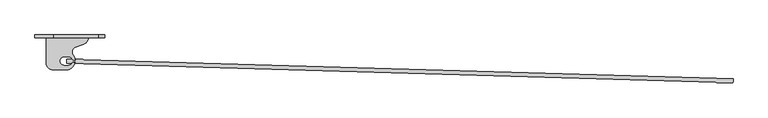
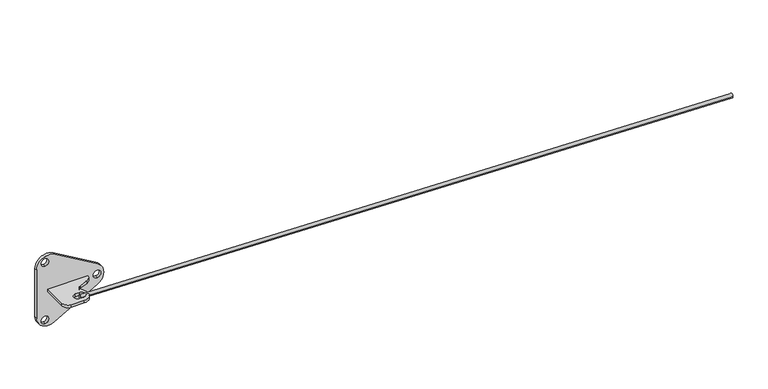
"""IFC4 building model written with IfcOpenShell, lengths in millimetres: proxy geometry."""

from ifc_helpers import new_model, si_unit, point, frame, frame_2d, origin, place, context, project, spatial, polyline, circle_curve, trimmed, segment, composite_curve, outline, extrude, source, transform, mapped, element, save
from ifc_brep_helpers import plane_surface, extruded_surface, advanced_brep


def specialty_equipment_39d2e3bd(model_context):
    return source(origin(), model_context, "Body", "SolidModel", [
        extrude(outline(composite_curve([segment(trimmed(circle_curve(frame_2d((93.5280064, 86.7466465)), 13.4406143), [point((106.9663575, 86.5))], [point((98.3110266, 74.1858809))], False, "CARTESIAN"), True, "CONTINUOUS"), segment(polyline([(98.3110266, 74.1858809), (81.0486273, 67.6125234)]), True, "CONTINUOUS"), segment(trimmed(circle_curve(frame_2d((84.6072594, 58.2671428)), 10.0), [point((81.0486273, 67.6125234))], [point((76.8783659, 51.9217347))], True, "CARTESIAN"), True, "CONTINUOUS"), segment(trimmed(circle_curve(frame_2d((62.9663575, 40.5)), 18.0), [point((76.8783659, 51.9217347))], [point((62.9663575, 22.5))], False, "CARTESIAN"), True, "CONTINUOUS"), segment(polyline([(62.9663575, 22.5), (35.9663575, 22.5)]), True, "CONTINUOUS"), segment(trimmed(circle_curve(frame_2d((35.9663575, 35.5)), 13.0), [point((35.9663575, 22.5))], [point((22.9663575, 35.5))], False, "CARTESIAN"), True, "CONTINUOUS"), segment(polyline([(22.9663575, 35.5), (22.9663575, 86.5), (106.9663575, 86.5)]), True, "CONTINUOUS")], self_intersect=False), holes=[composite_curve([segment(polyline([(66.8881977, 48.0756978), (58.8881977, 48.0756978)]), True, "CONTINUOUS"), segment(trimmed(circle_curve(frame_2d((58.8881977, 40.0756978)), 8.0), [point((58.8881977, 48.0756978))], [point((58.8881977, 32.0756978))], True, "CARTESIAN"), True, "CONTINUOUS"), segment(polyline([(58.8881977, 32.0756978), (66.8881977, 32.0756978)]), True, "CONTINUOUS"), segment(trimmed(circle_curve(frame_2d((66.8881977, 40.0756978)), 8.0), [point((66.8881977, 32.0756978))], [point((66.8881977, 48.0756978))], True, "CARTESIAN"), True, "CONTINUOUS")], self_intersect=False)]), frame((0.0, 0.0, 1797.0), z_axis=(0.0, 0.0, 1.0), x_axis=(1.0, 0.0, 0.0)), (0.0, 0.0, 1.0), 6.0),
        extrude(outline(composite_curve([segment(trimmed(circle_curve(frame_2d((1746.9543472, 24.5)), 24.5), [point((1746.9543472, 0.0))], [point((1725.7049481, 36.6947954))], False, "CARTESIAN"), True, "CONTINUOUS"), segment(polyline([(1725.7049481, 36.6947954), (1777.5339286, 127.0066589)]), True, "CONTINUOUS"), segment(trimmed(circle_curve(frame_2d((1799.932417, 114.1524138)), 25.8248698), [point((1777.5339286, 127.0066589))], [point((1822.263764, 127.1229513))], False, "CARTESIAN"), True, "CONTINUOUS"), segment(polyline([(1822.263764, 127.1229513), (1874.1115681, 37.8566967)]), True, "CONTINUOUS"), segment(trimmed(circle_curve(frame_2d((1852.3205602, 25.2)), 25.2), [point((1874.1115681, 37.8566967))], [point((1852.3205602, 0.0))], False, "CARTESIAN"), True, "CONTINUOUS"), segment(polyline([(1852.3205602, 0.0), (1746.9543472, 0.0)]), True, "CONTINUOUS")], self_intersect=False), holes=[composite_curve([segment(trimmed(circle_curve(frame_2d((1800.0, 126.2500924)), 8.0), [point((1792.0, 126.2500924))], [point((1808.0, 126.2500924))], True, "CARTESIAN"), True, "CONTINUOUS"), segment(trimmed(circle_curve(frame_2d((1800.0, 126.2500924)), 8.0), [point((1808.0, 126.2500924))], [point((1792.0, 126.2500924))], True, "CARTESIAN"), True, "CONTINUOUS")], self_intersect=False), composite_curve([segment(trimmed(circle_curve(frame_2d((1863.2834836, 17.2950526)), 8.0), [point((1855.2834836, 17.2950526))], [point((1871.2834836, 17.2950526))], True, "CARTESIAN"), True, "CONTINUOUS"), segment(trimmed(circle_curve(frame_2d((1863.2834836, 17.2950526)), 8.0), [point((1871.2834836, 17.2950526))], [point((1855.2834836, 17.2950526))], True, "CARTESIAN"), True, "CONTINUOUS")], self_intersect=False), composite_curve([segment(trimmed(circle_curve(frame_2d((1736.7165164, 17.2950526)), 8.0), [point((1728.7165164, 17.2950526))], [point((1744.7165164, 17.2950526))], True, "CARTESIAN"), True, "CONTINUOUS"), segment(trimmed(circle_curve(frame_2d((1736.7165164, 17.2950526)), 8.0), [point((1744.7165164, 17.2950526))], [point((1728.7165164, 17.2950526))], True, "CARTESIAN"), True, "CONTINUOUS")], self_intersect=False)]), frame((0.0, 86.5, 0.0), z_axis=(0.0, 1.0, 0.0), x_axis=(0.0, 0.0, 1.0)), (0.0, 0.0, 1.0), 6.0),
        advanced_brep(
        [(1401.4517313, -3.9982058, 1800.0), (1401.6914254, 3.9982025, 1800.0), (63.6801529, 36.1017958, 1800.0), (63.9198471, 44.0982042, 1800.0)],
        [
            (0, 1, circle_curve(frame((1401.5715784, -1.6e-06, 1800.0), z_axis=(0.9995510455553219, -0.029961764455100022, 0.0), x_axis=(0.029961764455100022, 0.9995510455553219, 0.0)), 4.0)),
            (1, 0, circle_curve(frame((1401.5715784, -1.6e-06, 1800.0), z_axis=(0.9995510455553219, -0.029961764455100022, 0.0), x_axis=(0.029961764455100022, 0.9995510455553219, 0.0)), 4.0)),
            (2, 3, circle_curve(frame((63.8, 40.1, 1800.0), z_axis=(-0.9995510455553219, 0.029961764455100022, 0.0), x_axis=(0.029961764455100022, 0.9995510455553219, 0.0)), 4.0)),
            (3, 2, circle_curve(frame((63.8, 40.1, 1800.0), z_axis=(-0.9995510455553219, 0.029961764455100022, 0.0), x_axis=(0.029961764455100022, 0.9995510455553219, 0.0)), 4.0)),
            (3, 1),
            (0, 2),
        ],
        [
            plane_surface(frame((1401.5715784, -1.6e-06, 1800.0), z_axis=(0.9995510455553219, -0.029961764455100022, 0.0), x_axis=(0.0, 0.0, -1.0))),
            plane_surface(frame((63.8, 40.1, 1800.0), z_axis=(-0.9995510455553219, 0.029961764455100022, 0.0), x_axis=(0.0, 0.0, -1.0))),
            extruded_surface(trimmed(circle_curve(frame((63.8, 40.1, 1800.0), z_axis=(0.9995510455553219, -0.029961764455100022, 0.0), x_axis=(0.029961764455100022, 0.9995510455553219, 0.0)), 4.0), [point((63.6801529, 36.1017958, 1800.0))], [point((63.9198471, 44.0982042, 1800.0))], True, "CARTESIAN"), (1337.7715784, -40.1000016, 0.0), 1338.3724467065015),
            extruded_surface(trimmed(circle_curve(frame((63.8, 40.1, 1800.0), z_axis=(0.9995510455553219, -0.029961764455100022, 0.0), x_axis=(0.029961764455100022, 0.9995510455553219, 0.0)), 4.0), [point((63.9198471, 44.0982042, 1800.0))], [point((63.6801529, 36.1017958, 1800.0))], True, "CARTESIAN"), (1337.7715784, -40.1000016, 0.0), 1338.3724467065015),
        ],
        [
            (0, [[1, 2]]),
            (1, [[3, 4]]),
            (2, [[-4, 5, -1, 6]]),
            (3, [[-3, -6, -2, -5]]),
        ],
    ),
    ])


if __name__ == "__main__":
    model = new_model("IFC4")
    model_context = context("Model", 3, world=origin())
    ifc_project = project(units=[si_unit("LENGTHUNIT", "METRE", prefix="MILLI")], contexts=[model_context])
    site = spatial("IfcSite", under=ifc_project)
    building = spatial("IfcBuilding", under=site)
    placement = place(None, origin())
    specialty_equipment_shape = specialty_equipment_39d2e3bd(model_context)
    element("IfcBuildingElementProxy", 1, Name="Specialty Equipment", at=placement, inside=building, context=model_context, shape_type="MappedRepresentation", body=[
        mapped(specialty_equipment_shape, transform((0.0, 0.0, 0.0), x_axis=(1.0, 0.0, 0.0), y_axis=(0.0, 1.0, 0.0), z_axis=(0.0, 0.0, 1.0))),
    ])
    save(model, "model.ifc")
